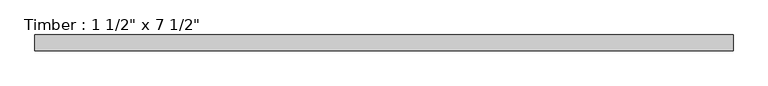
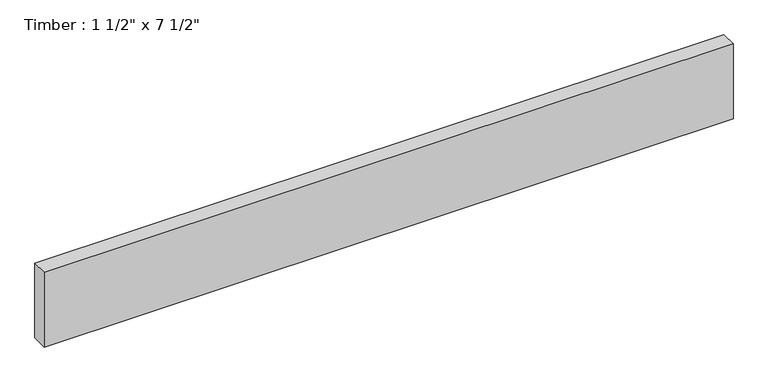
"""IFC4 building model written with IfcOpenShell, lengths in millimetres: beam geometry."""

from ifc_helpers import new_model, si_unit, frame, origin, place, context, project, spatial, polyline, outline, extrude, source, transform, mapped, element, save


def beam_17256937(model_context):
    return source(origin(), model_context, "Body", "SweptSolid", [
        extrude(outline(polyline([(828.7724901, 19.05), (828.7724901, -19.05), (-828.7724901, -19.05), (-828.7724901, 19.05), (828.7724901, 19.05)])), frame((0.0, 0.0, -95.25), z_axis=(0.0, 0.0, 1.0), x_axis=(1.0, 0.0, 0.0)), (0.0, 0.0, 1.0), 190.5),
    ])


if __name__ == "__main__":
    model = new_model("IFC4")
    model_context = context("Model", 3, world=origin())
    ifc_project = project(units=[si_unit("LENGTHUNIT", "METRE", prefix="MILLI")], contexts=[model_context])
    site = spatial("IfcSite", under=ifc_project)
    building = spatial("IfcBuilding", under=site)
    placement = place(None, origin())
    beam_shape = beam_17256937(model_context)
    element("IfcBeam", 1, ObjectType="Timber : 1 1/2\" x 7 1/2\"", at=placement, inside=building, context=model_context, shape_type="MappedRepresentation", body=[
        mapped(beam_shape, transform((0.0, 0.0, 0.0), x_axis=(1.0, 0.0, 0.0), y_axis=(0.0, 1.0, 0.0), z_axis=(0.0, 0.0, 1.0))),
    ])
    save(model, "model.ifc")
